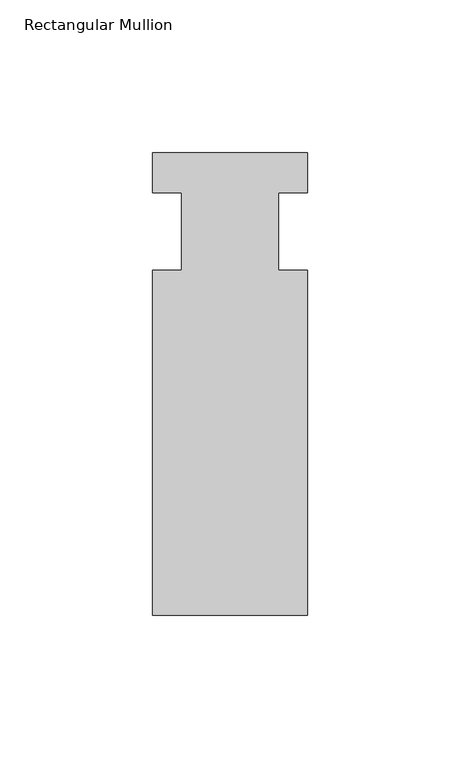
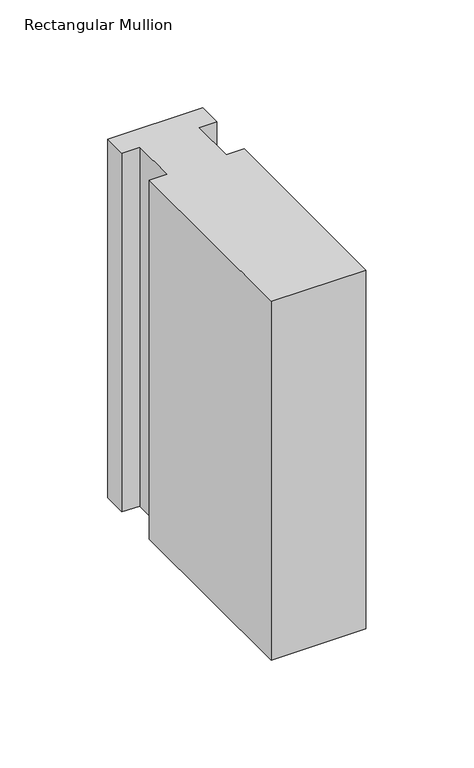
"""IFC4 building model written with IfcOpenShell, lengths in millimetres: member geometry, Rectangular Mullion."""

import ifcopenshell
import ifcopenshell.guid

model = None  # the IFC model being written
_history = None  # IfcOwnerHistory: only IFC2X3 demands one
_inside = {}  # id of a spatial element -> (the spatial element, [elements in it])
_under = {}  # id of a project, library or spatial element -> (it, [spatial elements below it])
_declared = {}  # id of a project -> (the project, [libraries it declares])
_typed = {}  # id of a type object -> (the type object, [elements of that type])
_made_of = {}  # id of a material, layer set ... -> (it, [elements and type objects made of it])


def new_model(schema):
    """Start an empty IFC model of exactly this schema.

    Asked for "IFC4X3", IfcOpenShell would pick the latest addendum, in which some entities
    have other attributes; the version numbers below select the first issue.
    IFC2X3 requires an IfcOwnerHistory on every rooted entity: one is made here for all.
    """
    global model, _history
    if schema == "IFC4X3":
        model = ifcopenshell.file(schema_version=(4, 3, 0, 0))
    else:
        model = ifcopenshell.file(schema=schema)
    _inside.clear()
    _under.clear()
    _declared.clear()
    _typed.clear()
    _made_of.clear()
    _history = None
    if model.schema == "IFC2X3":
        org = make("IfcOrganization", Name="unknown")
        user = make(
            "IfcPersonAndOrganization",
            ThePerson=make("IfcPerson", FamilyName="unknown"),
            TheOrganization=org,
        )
        app = make(
            "IfcApplication",
            ApplicationDeveloper=org,
            Version="unknown",
            ApplicationFullName="unknown",
            ApplicationIdentifier="unknown",
        )
        _history = make(
            "IfcOwnerHistory",
            OwningUser=user,
            OwningApplication=app,
            ChangeAction="ADDED",
            CreationDate=0,
        )
    return model


def make(cls, **values):
    """One entity of the class cls with the attributes given. An attribute that is None is left unset."""
    return model.create_entity(
        cls, **{name: value for name, value in values.items() if value is not None}
    )


def rooted(cls, **values):
    """An entity with a GlobalId (a new one), such as an element, a storey or a relation."""
    return make(cls, GlobalId=ifcopenshell.guid.new(), OwnerHistory=_history, **values)


def si_unit(unit_type, name, prefix=None):
    """IfcSIUnit, for example si_unit("LENGTHUNIT", "METRE", prefix="MILLI")."""
    return make("IfcSIUnit", UnitType=unit_type, Prefix=prefix, Name=name)


def assignment(units):
    """IfcUnitAssignment: the units of a project."""
    return None if units is None else make("IfcUnitAssignment", Units=units)


def point(xyz):
    """IfcCartesianPoint."""
    return None if xyz is None else make("IfcCartesianPoint", Coordinates=xyz)


def direction(xyz):
    """IfcDirection."""
    return None if xyz is None else make("IfcDirection", DirectionRatios=xyz)


def frame(location, z_axis=None, x_axis=None):
    """IfcAxis2Placement3D, a coordinate frame: its origin and axes. An axis left out is left unset."""
    return make(
        "IfcAxis2Placement3D",
        Location=point(location),
        Axis=direction(z_axis),
        RefDirection=direction(x_axis),
    )


def origin():
    """The frame at (0, 0, 0) with its axes left unset."""
    return frame((0.0, 0.0, 0.0))


def place(relative_to, where):
    """IfcLocalPlacement: puts the frame where relative to a parent placement (None: the world)."""
    return make(
        "IfcLocalPlacement", PlacementRelTo=relative_to, RelativePlacement=where
    )


def context(
    kind, dimensions, precision=None, world=None, true_north=None, identifier=None
):
    """IfcGeometricRepresentationContext, for example the 3D "Model" context."""
    return make(
        "IfcGeometricRepresentationContext",
        ContextIdentifier=identifier,
        ContextType=kind,
        CoordinateSpaceDimension=dimensions,
        Precision=precision,
        WorldCoordinateSystem=world,
        TrueNorth=true_north,
    )


def project(units=None, contexts=None):
    """IfcProject with its units and contexts."""
    return rooted(
        "IfcProject",
        Name="project",
        RepresentationContexts=contexts,
        UnitsInContext=assignment(units),
    )


def spatial(cls, under=None, at=None, **own):
    """A site, building, storey or space (cls), placed at a placement, below another one or the project."""
    s = rooted(cls, ObjectPlacement=at, **own)
    if under is not None:
        _under.setdefault(under.id(), (under, []))[1].append(s)
    return s


def polyline(points):
    """IfcPolyline through the points."""
    return make("IfcPolyline", Points=[point(p) for p in points])


def outline(outer, holes=None, kind="AREA"):
    """IfcArbitraryClosedProfileDef: a profile drawn as a closed curve; with holes, ...WithVoids."""
    if holes is None:
        return make("IfcArbitraryClosedProfileDef", ProfileType=kind, OuterCurve=outer)
    return make(
        "IfcArbitraryProfileDefWithVoids",
        ProfileType=kind,
        OuterCurve=outer,
        InnerCurves=holes,
    )


def extrude(swept, where, along, depth):
    """IfcExtrudedAreaSolid: the profile swept, set in the frame where, extruded along a direction by depth."""
    return make(
        "IfcExtrudedAreaSolid",
        SweptArea=swept,
        Position=where,
        ExtrudedDirection=direction(along),
        Depth=depth,
    )


def shape(context_of_items, identifier, shape_type, items):
    """IfcShapeRepresentation: the items that make up one representation, for example the "Body"."""
    return make(
        "IfcShapeRepresentation",
        ContextOfItems=context_of_items,
        RepresentationIdentifier=identifier,
        RepresentationType=shape_type,
        Items=items,
    )


def source(mapping_origin, context_of_items, identifier, shape_type, items):
    """IfcRepresentationMap: a shape defined once, which mapped items show again and again."""
    return make(
        "IfcRepresentationMap",
        MappingOrigin=mapping_origin,
        MappedRepresentation=shape(context_of_items, identifier, shape_type, items),
    )


def transform(
    local_origin,
    x_axis=None,
    y_axis=None,
    z_axis=None,
    scale=None,
    scale2=None,
    scale3=None,
    uniform=True,
):
    """IfcCartesianTransformationOperator3D, or its non-uniform kind. x_axis, y_axis, z_axis: its Axis1, 2, 3."""
    if uniform:
        return make(
            "IfcCartesianTransformationOperator3D",
            Axis1=direction(x_axis),
            Axis2=direction(y_axis),
            LocalOrigin=point(local_origin),
            Scale=scale,
            Axis3=direction(z_axis),
        )
    return make(
        "IfcCartesianTransformationOperator3DnonUniform",
        Axis1=direction(x_axis),
        Axis2=direction(y_axis),
        LocalOrigin=point(local_origin),
        Scale=scale,
        Axis3=direction(z_axis),
        Scale2=scale2,
        Scale3=scale3,
    )


def mapped(mapping_source, mapping_target):
    """IfcMappedItem: shows the shape of a source again, moved by a transform."""
    return make(
        "IfcMappedItem", MappingSource=mapping_source, MappingTarget=mapping_target
    )


def made_of(thing, what):
    """Note that an element or type object is made of a material, layer set ...; save() writes the relation."""
    if what is not None:
        _made_of.setdefault(what.id(), (what, []))[1].append(thing)
    return thing


def element(
    cls,
    number,
    at=None,
    inside=None,
    cuts=None,
    type_object=None,
    material=None,
    context=None,
    identifier="Body",
    shape_type=None,
    held_by="IfcProductDefinitionShape",
    body=None,
    shapes=None,
    **own,
):
    """One element of the class cls, such as IfcWall. Its Tag is "e" and its number.

    at: its placement. inside: the storey or other place that contains it. cuts: it is an
    opening in that element (IfcRelVoidsElement). A single representation is given by context,
    identifier, shape_type and body (its items); several are given by shapes. held_by: the class
    of the entity that holds the representations. save() writes the other relations.
    """
    e = rooted(cls, Tag="e%d" % number, ObjectPlacement=at, **own)
    if body is not None:
        shapes = [shape(context, identifier, shape_type, body)]
    if shapes is not None:
        e.Representation = make(held_by, Representations=shapes)
    if inside is not None:
        _inside.setdefault(inside.id(), (inside, []))[1].append(e)
    if cuts is not None:
        rooted(
            "IfcRelVoidsElement", RelatingBuildingElement=cuts, RelatedOpeningElement=e
        )
    if type_object is not None:
        _typed.setdefault(type_object.id(), (type_object, []))[1].append(e)
    return made_of(e, material)


def aggregate(whole, parts):
    """IfcRelAggregates: a whole, such as a stair, and the parts it consists of."""
    return rooted("IfcRelAggregates", RelatingObject=whole, RelatedObjects=parts)


def save(model, path):
    """Write the relations noted so far, then the file.

    IfcRelAggregates (storeys below a building ...), IfcRelContainedInSpatialStructure (elements
    in a storey), IfcRelDefinesByType, IfcRelAssociatesMaterial and IfcRelDeclares: one each for
    every whole, place, type object, material and project.
    """
    for whole, parts in _under.values():
        aggregate(whole, parts)
    for where, things in _inside.values():
        rooted(
            "IfcRelContainedInSpatialStructure",
            RelatedElements=things,
            RelatingStructure=where,
        )
    for kind, things in _typed.values():
        rooted("IfcRelDefinesByType", RelatedObjects=things, RelatingType=kind)
    for what, things in _made_of.values():
        rooted("IfcRelAssociatesMaterial", RelatedObjects=things, RelatingMaterial=what)
    for by, libraries in _declared.values():
        rooted("IfcRelDeclares", RelatingContext=by, RelatedDefinitions=libraries)
    model.write(path)


def rectangular_mullion_21a64501(model_context):
    return source(origin(), model_context, "Body", "SweptSolid", [
        extrude(outline(polyline([(-25.4, 25.796875), (25.4, 25.796875), (25.4, 12.7), (15.875, 12.7), (15.875, -12.7), (25.4, -12.7), (25.4, -125.809375), (-25.4, -125.809375), (-25.4, -12.7), (-15.875, -12.7), (-15.875, 12.7), (-25.4, 12.7), (-25.4, 25.796875)])), frame((0.0, 0.0, -203.2), z_axis=(0.0, 0.0, 1.0), x_axis=(1.0, 0.0, 0.0)), (0.0, 0.0, 1.0), 203.2),
    ])


if __name__ == "__main__":
    model = new_model("IFC4")
    model_context = context("Model", 3, world=origin())
    ifc_project = project(units=[si_unit("LENGTHUNIT", "METRE", prefix="MILLI")], contexts=[model_context])
    site = spatial("IfcSite", under=ifc_project)
    building = spatial("IfcBuilding", under=site)
    placement = place(None, origin())
    rectangular_mullion_shape = rectangular_mullion_21a64501(model_context)
    element("IfcMember", 1, ObjectType="Rectangular Mullion", at=placement, inside=building, context=model_context, shape_type="MappedRepresentation", body=[
        mapped(rectangular_mullion_shape, transform((0.0, 0.0, 0.0), x_axis=(1.0, 0.0, 0.0), y_axis=(0.0, 1.0, 0.0), z_axis=(0.0, 0.0, 1.0))),
    ])
    save(model, "model.ifc")
